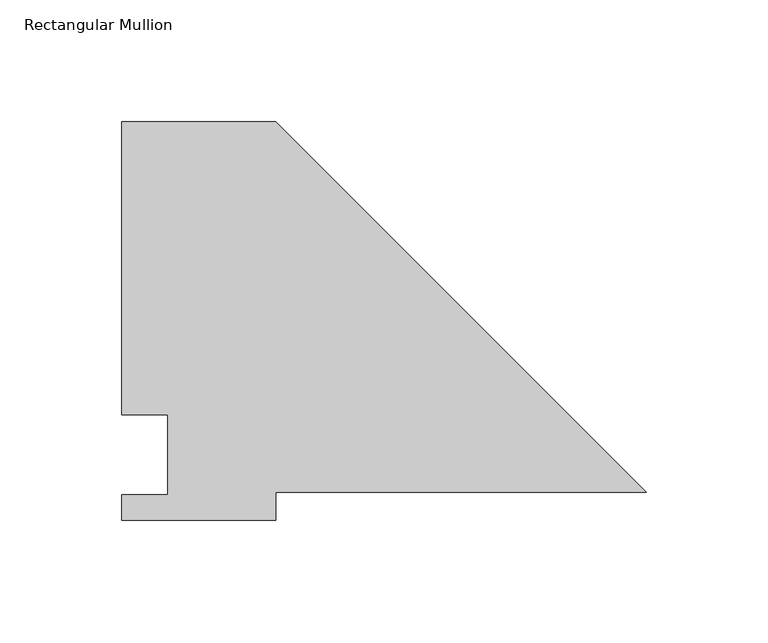
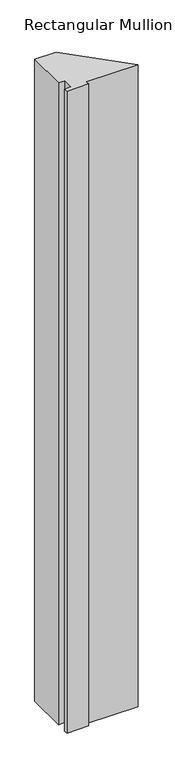
"""IFC4 building model written with IfcOpenShell, lengths in millimetres: member geometry, Rectangular Mullion."""

from ifc_helpers import new_model, si_unit, frame, origin, place, context, project, spatial, polyline, outline, extrude, source, transform, mapped, element, save


def rectangular_mullion_fdd295c2(model_context):
    return source(origin(), model_context, "Body", "SweptSolid", [
        extrude(outline(polyline([(-152.4, 152.4), (0.0, 0.0), (-152.4, 0.0), (-152.4, -11.684), (-215.9, -11.684), (-215.9, -1.016), (-196.85, -1.016), (-196.85, 31.75), (-215.9, 31.75), (-215.9, 152.4), (-152.4, 152.4)])), frame((0.0, 0.0, -2000.2328337), z_axis=(0.0, 0.0, 1.0), x_axis=(1.0, 0.0, 0.0)), (0.0, 0.0, 1.0), 2000.2328337),
    ])


if __name__ == "__main__":
    model = new_model("IFC4")
    model_context = context("Model", 3, world=origin())
    ifc_project = project(units=[si_unit("LENGTHUNIT", "METRE", prefix="MILLI")], contexts=[model_context])
    site = spatial("IfcSite", under=ifc_project)
    building = spatial("IfcBuilding", under=site)
    placement = place(None, origin())
    rectangular_mullion_shape = rectangular_mullion_fdd295c2(model_context)
    element("IfcMember", 1, ObjectType="Rectangular Mullion", at=placement, inside=building, context=model_context, shape_type="MappedRepresentation", body=[
        mapped(rectangular_mullion_shape, transform((0.0, 0.0, 0.0), x_axis=(1.0, 0.0, 0.0), y_axis=(0.0, 1.0, 0.0), z_axis=(0.0, 0.0, 1.0))),
    ])
    save(model, "model.ifc")
